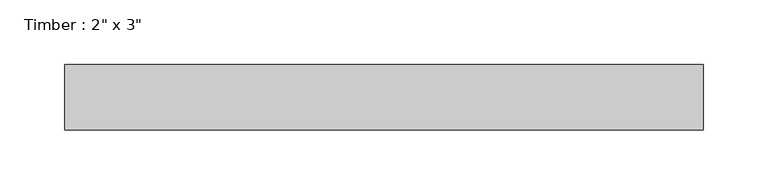
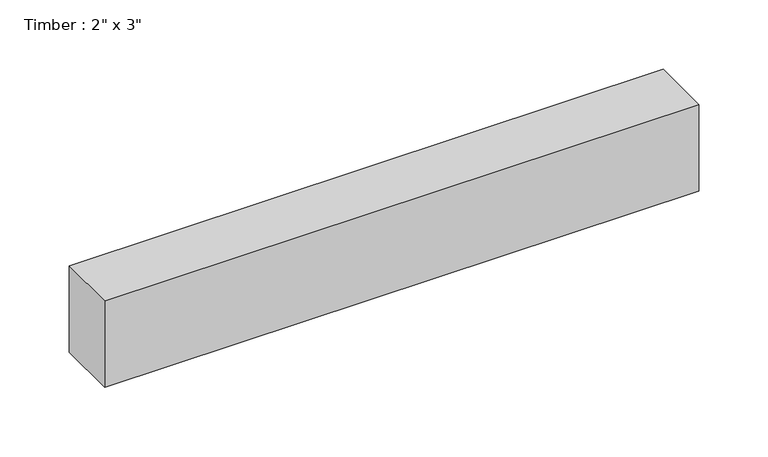
"""IFC4 building model written with IfcOpenShell, lengths in millimetres: beam geometry."""

from ifc_helpers import new_model, si_unit, frame, origin, place, context, project, spatial, polyline, outline, extrude, source, transform, mapped, element, save


def beam_e84eb240(model_context):
    return source(origin(), model_context, "Body", "SweptSolid", [
        extrude(outline(polyline([(246.7975594, -25.4), (-246.7975594, -25.4), (-246.7975594, 25.4), (246.7975594, 25.4), (246.7975594, -25.4)])), frame((0.0, 0.0, -38.1), z_axis=(0.0, 0.0, 1.0), x_axis=(1.0, 0.0, 0.0)), (0.0, 0.0, 1.0), 76.2),
    ])


if __name__ == "__main__":
    model = new_model("IFC4")
    model_context = context("Model", 3, world=origin())
    ifc_project = project(units=[si_unit("LENGTHUNIT", "METRE", prefix="MILLI")], contexts=[model_context])
    site = spatial("IfcSite", under=ifc_project)
    building = spatial("IfcBuilding", under=site)
    placement = place(None, origin())
    beam_shape = beam_e84eb240(model_context)
    element("IfcBeam", 1, ObjectType="Timber : 2\" x 3\"", at=placement, inside=building, context=model_context, shape_type="MappedRepresentation", body=[
        mapped(beam_shape, transform((0.0, 0.0, 0.0), x_axis=(1.0, 0.0, 0.0), y_axis=(0.0, 1.0, 0.0), z_axis=(0.0, 0.0, 1.0))),
    ])
    save(model, "model.ifc")
